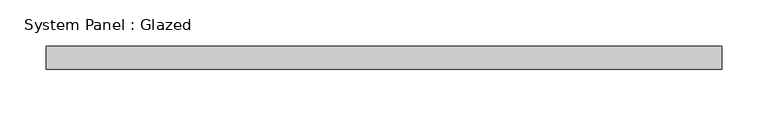
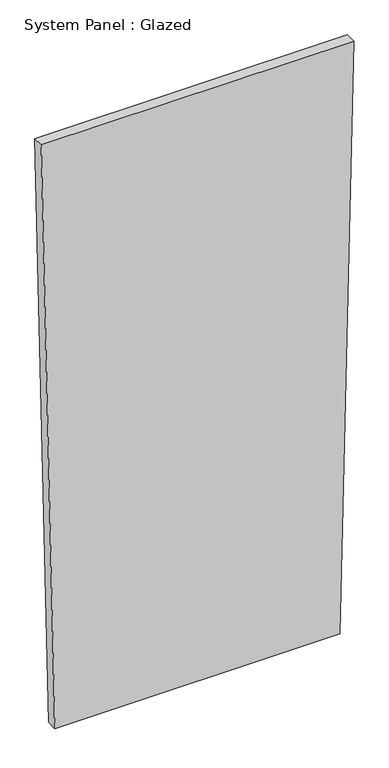
"""IFC4 building model written with IfcOpenShell, lengths in millimetres: plate geometry, System Panel : Glazed."""

from ifc_helpers import new_model, si_unit, frame, origin, place, context, project, spatial, polyline, outline, extrude, source, transform, mapped, element, save


def system_panel_glazed_9ca020a8(model_context):
    return source(origin(), model_context, "Body", "SweptSolid", [
        extrude(outline(polyline([(0.0, -332.9037733), (0.0, 332.9036958), (1449.6362279, 364.8326584), (1449.6362371, -364.8326584), (0.0, -332.9037733)])), frame((0.0, -49.5, 0.0), z_axis=(0.0, 1.0, 0.0), x_axis=(0.0, 0.0, 1.0)), (0.0, 0.0, 1.0), 25.0),
    ])


if __name__ == "__main__":
    model = new_model("IFC4")
    model_context = context("Model", 3, world=origin())
    ifc_project = project(units=[si_unit("LENGTHUNIT", "METRE", prefix="MILLI")], contexts=[model_context])
    site = spatial("IfcSite", under=ifc_project)
    building = spatial("IfcBuilding", under=site)
    placement = place(None, origin())
    system_panel_glazed_shape = system_panel_glazed_9ca020a8(model_context)
    element("IfcPlate", 1, ObjectType="System Panel : Glazed", at=placement, inside=building, context=model_context, shape_type="MappedRepresentation", body=[
        mapped(system_panel_glazed_shape, transform((0.0, 0.0, 0.0), x_axis=(1.0, 0.0, 0.0), y_axis=(0.0, 1.0, 0.0), z_axis=(0.0, 0.0, 1.0))),
    ])
    save(model, "model.ifc")
